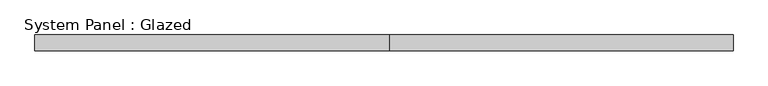
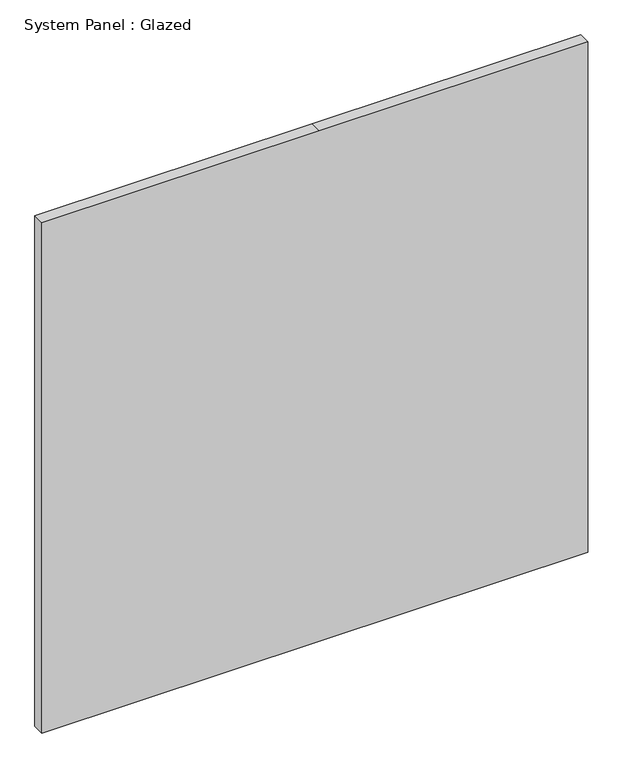
"""IFC4 building model written with IfcOpenShell, lengths in millimetres: plate geometry, System Panel : Glazed."""

import ifcopenshell
import ifcopenshell.guid

model = None  # the IFC model being written
_history = None  # IfcOwnerHistory: only IFC2X3 demands one
_inside = {}  # id of a spatial element -> (the spatial element, [elements in it])
_under = {}  # id of a project, library or spatial element -> (it, [spatial elements below it])
_declared = {}  # id of a project -> (the project, [libraries it declares])
_typed = {}  # id of a type object -> (the type object, [elements of that type])
_made_of = {}  # id of a material, layer set ... -> (it, [elements and type objects made of it])


def new_model(schema):
    """Start an empty IFC model of exactly this schema.

    Asked for "IFC4X3", IfcOpenShell would pick the latest addendum, in which some entities
    have other attributes; the version numbers below select the first issue.
    IFC2X3 requires an IfcOwnerHistory on every rooted entity: one is made here for all.
    """
    global model, _history
    if schema == "IFC4X3":
        model = ifcopenshell.file(schema_version=(4, 3, 0, 0))
    else:
        model = ifcopenshell.file(schema=schema)
    _inside.clear()
    _under.clear()
    _declared.clear()
    _typed.clear()
    _made_of.clear()
    _history = None
    if model.schema == "IFC2X3":
        org = make("IfcOrganization", Name="unknown")
        user = make(
            "IfcPersonAndOrganization",
            ThePerson=make("IfcPerson", FamilyName="unknown"),
            TheOrganization=org,
        )
        app = make(
            "IfcApplication",
            ApplicationDeveloper=org,
            Version="unknown",
            ApplicationFullName="unknown",
            ApplicationIdentifier="unknown",
        )
        _history = make(
            "IfcOwnerHistory",
            OwningUser=user,
            OwningApplication=app,
            ChangeAction="ADDED",
            CreationDate=0,
        )
    return model


def make(cls, **values):
    """One entity of the class cls with the attributes given. An attribute that is None is left unset."""
    return model.create_entity(
        cls, **{name: value for name, value in values.items() if value is not None}
    )


def rooted(cls, **values):
    """An entity with a GlobalId (a new one), such as an element, a storey or a relation."""
    return make(cls, GlobalId=ifcopenshell.guid.new(), OwnerHistory=_history, **values)


def si_unit(unit_type, name, prefix=None):
    """IfcSIUnit, for example si_unit("LENGTHUNIT", "METRE", prefix="MILLI")."""
    return make("IfcSIUnit", UnitType=unit_type, Prefix=prefix, Name=name)


def assignment(units):
    """IfcUnitAssignment: the units of a project."""
    return None if units is None else make("IfcUnitAssignment", Units=units)


def point(xyz):
    """IfcCartesianPoint."""
    return None if xyz is None else make("IfcCartesianPoint", Coordinates=xyz)


def direction(xyz):
    """IfcDirection."""
    return None if xyz is None else make("IfcDirection", DirectionRatios=xyz)


def frame(location, z_axis=None, x_axis=None):
    """IfcAxis2Placement3D, a coordinate frame: its origin and axes. An axis left out is left unset."""
    return make(
        "IfcAxis2Placement3D",
        Location=point(location),
        Axis=direction(z_axis),
        RefDirection=direction(x_axis),
    )


def origin():
    """The frame at (0, 0, 0) with its axes left unset."""
    return frame((0.0, 0.0, 0.0))


def place(relative_to, where):
    """IfcLocalPlacement: puts the frame where relative to a parent placement (None: the world)."""
    return make(
        "IfcLocalPlacement", PlacementRelTo=relative_to, RelativePlacement=where
    )


def context(
    kind, dimensions, precision=None, world=None, true_north=None, identifier=None
):
    """IfcGeometricRepresentationContext, for example the 3D "Model" context."""
    return make(
        "IfcGeometricRepresentationContext",
        ContextIdentifier=identifier,
        ContextType=kind,
        CoordinateSpaceDimension=dimensions,
        Precision=precision,
        WorldCoordinateSystem=world,
        TrueNorth=true_north,
    )


def project(units=None, contexts=None):
    """IfcProject with its units and contexts."""
    return rooted(
        "IfcProject",
        Name="project",
        RepresentationContexts=contexts,
        UnitsInContext=assignment(units),
    )


def spatial(cls, under=None, at=None, **own):
    """A site, building, storey or space (cls), placed at a placement, below another one or the project."""
    s = rooted(cls, ObjectPlacement=at, **own)
    if under is not None:
        _under.setdefault(under.id(), (under, []))[1].append(s)
    return s


def polyline(points):
    """IfcPolyline through the points."""
    return make("IfcPolyline", Points=[point(p) for p in points])


def outline(outer, holes=None, kind="AREA"):
    """IfcArbitraryClosedProfileDef: a profile drawn as a closed curve; with holes, ...WithVoids."""
    if holes is None:
        return make("IfcArbitraryClosedProfileDef", ProfileType=kind, OuterCurve=outer)
    return make(
        "IfcArbitraryProfileDefWithVoids",
        ProfileType=kind,
        OuterCurve=outer,
        InnerCurves=holes,
    )


def extrude(swept, where, along, depth):
    """IfcExtrudedAreaSolid: the profile swept, set in the frame where, extruded along a direction by depth."""
    return make(
        "IfcExtrudedAreaSolid",
        SweptArea=swept,
        Position=where,
        ExtrudedDirection=direction(along),
        Depth=depth,
    )


def shape(context_of_items, identifier, shape_type, items):
    """IfcShapeRepresentation: the items that make up one representation, for example the "Body"."""
    return make(
        "IfcShapeRepresentation",
        ContextOfItems=context_of_items,
        RepresentationIdentifier=identifier,
        RepresentationType=shape_type,
        Items=items,
    )


def source(mapping_origin, context_of_items, identifier, shape_type, items):
    """IfcRepresentationMap: a shape defined once, which mapped items show again and again."""
    return make(
        "IfcRepresentationMap",
        MappingOrigin=mapping_origin,
        MappedRepresentation=shape(context_of_items, identifier, shape_type, items),
    )


def transform(
    local_origin,
    x_axis=None,
    y_axis=None,
    z_axis=None,
    scale=None,
    scale2=None,
    scale3=None,
    uniform=True,
):
    """IfcCartesianTransformationOperator3D, or its non-uniform kind. x_axis, y_axis, z_axis: its Axis1, 2, 3."""
    if uniform:
        return make(
            "IfcCartesianTransformationOperator3D",
            Axis1=direction(x_axis),
            Axis2=direction(y_axis),
            LocalOrigin=point(local_origin),
            Scale=scale,
            Axis3=direction(z_axis),
        )
    return make(
        "IfcCartesianTransformationOperator3DnonUniform",
        Axis1=direction(x_axis),
        Axis2=direction(y_axis),
        LocalOrigin=point(local_origin),
        Scale=scale,
        Axis3=direction(z_axis),
        Scale2=scale2,
        Scale3=scale3,
    )


def mapped(mapping_source, mapping_target):
    """IfcMappedItem: shows the shape of a source again, moved by a transform."""
    return make(
        "IfcMappedItem", MappingSource=mapping_source, MappingTarget=mapping_target
    )


def made_of(thing, what):
    """Note that an element or type object is made of a material, layer set ...; save() writes the relation."""
    if what is not None:
        _made_of.setdefault(what.id(), (what, []))[1].append(thing)
    return thing


def element(
    cls,
    number,
    at=None,
    inside=None,
    cuts=None,
    type_object=None,
    material=None,
    context=None,
    identifier="Body",
    shape_type=None,
    held_by="IfcProductDefinitionShape",
    body=None,
    shapes=None,
    **own,
):
    """One element of the class cls, such as IfcWall. Its Tag is "e" and its number.

    at: its placement. inside: the storey or other place that contains it. cuts: it is an
    opening in that element (IfcRelVoidsElement). A single representation is given by context,
    identifier, shape_type and body (its items); several are given by shapes. held_by: the class
    of the entity that holds the representations. save() writes the other relations.
    """
    e = rooted(cls, Tag="e%d" % number, ObjectPlacement=at, **own)
    if body is not None:
        shapes = [shape(context, identifier, shape_type, body)]
    if shapes is not None:
        e.Representation = make(held_by, Representations=shapes)
    if inside is not None:
        _inside.setdefault(inside.id(), (inside, []))[1].append(e)
    if cuts is not None:
        rooted(
            "IfcRelVoidsElement", RelatingBuildingElement=cuts, RelatedOpeningElement=e
        )
    if type_object is not None:
        _typed.setdefault(type_object.id(), (type_object, []))[1].append(e)
    return made_of(e, material)


def aggregate(whole, parts):
    """IfcRelAggregates: a whole, such as a stair, and the parts it consists of."""
    return rooted("IfcRelAggregates", RelatingObject=whole, RelatedObjects=parts)


def save(model, path):
    """Write the relations noted so far, then the file.

    IfcRelAggregates (storeys below a building ...), IfcRelContainedInSpatialStructure (elements
    in a storey), IfcRelDefinesByType, IfcRelAssociatesMaterial and IfcRelDeclares: one each for
    every whole, place, type object, material and project.
    """
    for whole, parts in _under.values():
        aggregate(whole, parts)
    for where, things in _inside.values():
        rooted(
            "IfcRelContainedInSpatialStructure",
            RelatedElements=things,
            RelatingStructure=where,
        )
    for kind, things in _typed.values():
        rooted("IfcRelDefinesByType", RelatedObjects=things, RelatingType=kind)
    for what, things in _made_of.values():
        rooted("IfcRelAssociatesMaterial", RelatedObjects=things, RelatingMaterial=what)
    for by, libraries in _declared.values():
        rooted("IfcRelDeclares", RelatingContext=by, RelatedDefinitions=libraries)
    model.write(path)


def system_panel_glazed_35a82678(model_context):
    return source(origin(), model_context, "Body", "SweptSolid", [
        extrude(outline(polyline([(0.0, -568.325), (0.0, 9.525), (0.0, 568.325), (1123.95, 568.325), (1123.95, 9.525), (1123.95, -568.325), (0.0, -568.325)])), frame((0.0, -44.45, 0.0), z_axis=(0.0, 1.0, 0.0), x_axis=(0.0, 0.0, 1.0)), (0.0, 0.0, 1.0), 25.4),
    ])


if __name__ == "__main__":
    model = new_model("IFC4")
    model_context = context("Model", 3, world=origin())
    ifc_project = project(units=[si_unit("LENGTHUNIT", "METRE", prefix="MILLI")], contexts=[model_context])
    site = spatial("IfcSite", under=ifc_project)
    building = spatial("IfcBuilding", under=site)
    placement = place(None, origin())
    system_panel_glazed_shape = system_panel_glazed_35a82678(model_context)
    element("IfcPlate", 1, ObjectType="System Panel : Glazed", at=placement, inside=building, context=model_context, shape_type="MappedRepresentation", body=[
        mapped(system_panel_glazed_shape, transform((0.0, 0.0, 0.0), x_axis=(1.0, 0.0, 0.0), y_axis=(0.0, 1.0, 0.0), z_axis=(0.0, 0.0, 1.0))),
    ])
    save(model, "model.ifc")
